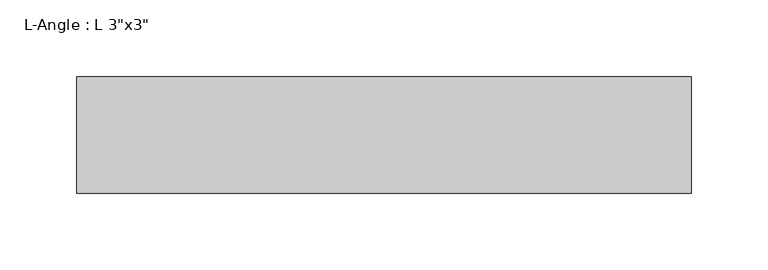
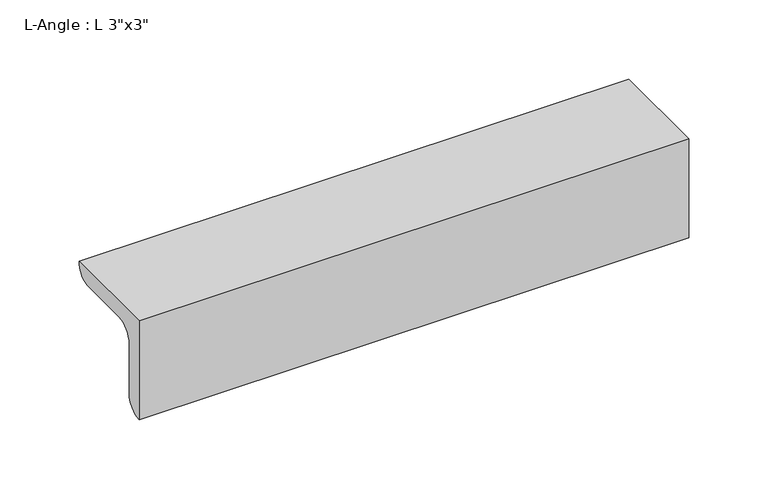
"""IFC4 building model written with IfcOpenShell, lengths in millimetres: beam geometry."""

from ifc_helpers import new_model, si_unit, point, frame, frame_2d, origin, place, context, project, spatial, polyline, circle_curve, trimmed, segment, composite_curve, outline, extrude, source, transform, mapped, element, save


def beam_652a9b84(model_context):
    return source(origin(), model_context, "Body", "SweptSolid", [
        extrude(outline(composite_curve([segment(polyline([(-24.9039062, 50.3039062), (51.2960938, 50.3039062)]), True, "CONTINUOUS"), segment(trimmed(circle_curve(frame_2d((38.5960938, 50.3039062)), 12.7), [point((51.2960938, 50.3039062))], [point((38.5960938, 37.6039062))], False, "CARTESIAN"), True, "CONTINUOUS"), segment(polyline([(38.5960938, 37.6039062), (0.4960938, 37.6039062)]), True, "CONTINUOUS"), segment(trimmed(circle_curve(frame_2d((0.4960938, 24.9039062)), 12.7), [point((0.4960938, 37.6039062))], [point((-12.2039062, 24.9039062))], True, "CARTESIAN"), True, "CONTINUOUS"), segment(polyline([(-12.2039062, 24.9039062), (-12.2039062, -13.1960938)]), True, "CONTINUOUS"), segment(trimmed(circle_curve(frame_2d((-24.9039062, -13.1960938)), 12.7), [point((-12.2039062, -13.1960938))], [point((-24.9039062, -25.8960938))], False, "CARTESIAN"), True, "CONTINUOUS"), segment(polyline([(-24.9039062, -25.8960938), (-24.9039062, 50.3039062)]), True, "CONTINUOUS")], self_intersect=False)), frame((-200.7788298, 0.0, 0.0), z_axis=(1.0, 0.0, 0.0), x_axis=(0.0, 1.0, 0.0)), (0.0, 0.0, 1.0), 401.5576596),
    ])


if __name__ == "__main__":
    model = new_model("IFC4")
    model_context = context("Model", 3, world=origin())
    ifc_project = project(units=[si_unit("LENGTHUNIT", "METRE", prefix="MILLI")], contexts=[model_context])
    site = spatial("IfcSite", under=ifc_project)
    building = spatial("IfcBuilding", under=site)
    placement = place(None, origin())
    beam_shape = beam_652a9b84(model_context)
    element("IfcBeam", 1, ObjectType="L-Angle : L 3\"x3\"", at=placement, inside=building, context=model_context, shape_type="MappedRepresentation", body=[
        mapped(beam_shape, transform((0.0, 0.0, 0.0), x_axis=(1.0, 0.0, 0.0), y_axis=(0.0, 1.0, 0.0), z_axis=(0.0, 0.0, 1.0))),
    ])
    save(model, "model.ifc")
